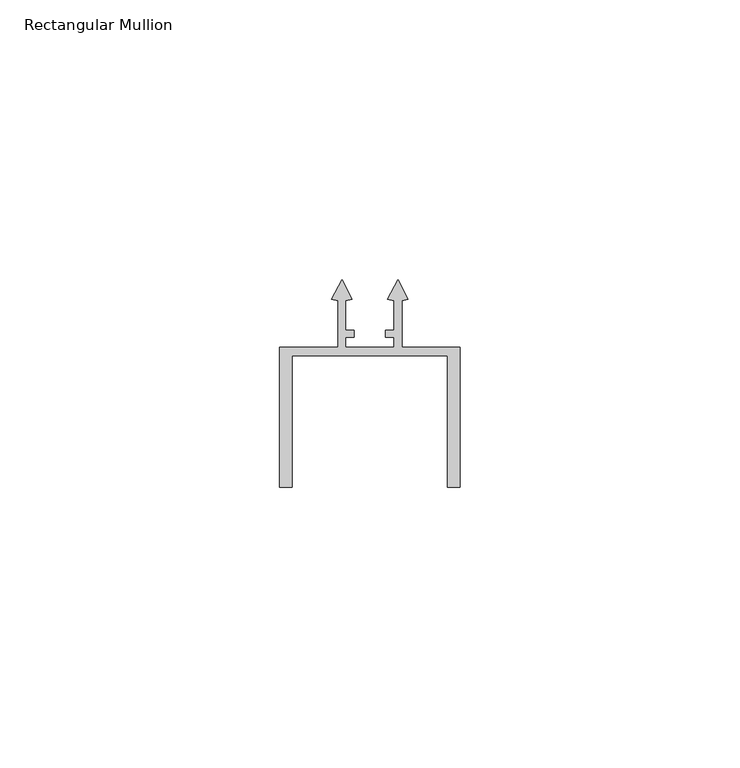
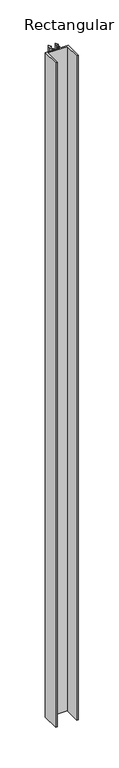
"""IFC4 building model written with IfcOpenShell, lengths in millimetres: member geometry, Rectangular Mullion."""

from ifc_helpers import new_model, si_unit, frame, origin, place, context, project, spatial, polyline, outline, extrude, source, transform, mapped, element, save


def rectangular_mullion_e8a25713(model_context):
    return source(origin(), model_context, "Body", "SweptSolid", [
        extrude(outline(polyline([(-30.0, -61.4999527), (-32.2, -61.4999527), (-32.2, -36.4999527), (-21.801979, -36.4999527), (-21.801979, -28.1820216), (-22.9564588, -27.9748104), (-21.1008012, -24.5019004), (-19.2435095, -27.9763841), (-20.4019788, -28.1769996), (-20.4019788, -33.4979124), (-18.8927983, -33.4979124), (-18.8927983, -34.7), (-20.4019795, -34.7), (-20.4019795, -36.4999527), (-11.7980205, -36.4999527), (-11.7980205, -34.6999527), (-13.3072007, -34.6999527), (-13.3072007, -33.497865), (-11.7980203, -33.497865), (-11.7980203, -28.1769996), (-12.9564385, -27.976393), (-11.0999323, -24.5018948), (-9.2434843, -27.9748003), (-10.3980205, -28.1820216), (-10.3980205, -36.4999527), (0.0, -36.4999527), (0.0, -61.4999527), (-2.2, -61.4999527), (-2.2, -37.9999527), (-30.0, -37.9999527), (-30.0, -61.4999527)])), frame((0.0, 0.0, -1000.0), z_axis=(0.0, 0.0, 1.0), x_axis=(1.0, 0.0, 0.0)), (0.0, 0.0, 1.0), 1000.0),
    ])


if __name__ == "__main__":
    model = new_model("IFC4")
    model_context = context("Model", 3, world=origin())
    ifc_project = project(units=[si_unit("LENGTHUNIT", "METRE", prefix="MILLI")], contexts=[model_context])
    site = spatial("IfcSite", under=ifc_project)
    building = spatial("IfcBuilding", under=site)
    placement = place(None, origin())
    rectangular_mullion_shape = rectangular_mullion_e8a25713(model_context)
    element("IfcMember", 1, ObjectType="Rectangular Mullion", at=placement, inside=building, context=model_context, shape_type="MappedRepresentation", body=[
        mapped(rectangular_mullion_shape, transform((0.0, 0.0, 0.0), x_axis=(1.0, 0.0, 0.0), y_axis=(0.0, 1.0, 0.0), z_axis=(0.0, 0.0, 1.0))),
    ])
    save(model, "model.ifc")
